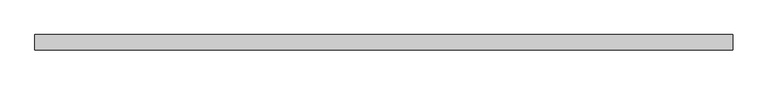
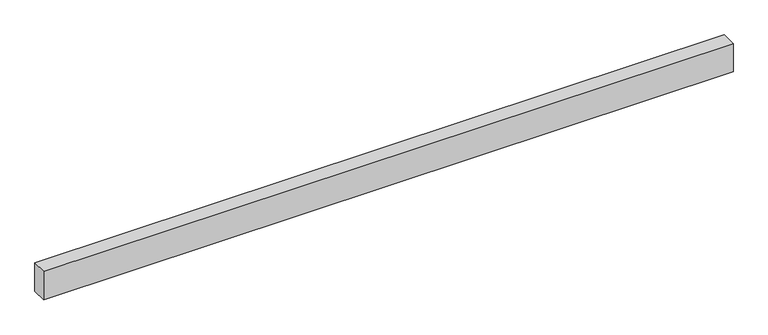
"""IFC4 building model written with IfcOpenShell, lengths in millimetres: beam geometry."""

import ifcopenshell
import ifcopenshell.guid

model = None  # the IFC model being written
_history = None  # IfcOwnerHistory: only IFC2X3 demands one
_inside = {}  # id of a spatial element -> (the spatial element, [elements in it])
_under = {}  # id of a project, library or spatial element -> (it, [spatial elements below it])
_declared = {}  # id of a project -> (the project, [libraries it declares])
_typed = {}  # id of a type object -> (the type object, [elements of that type])
_made_of = {}  # id of a material, layer set ... -> (it, [elements and type objects made of it])


def new_model(schema):
    """Start an empty IFC model of exactly this schema.

    Asked for "IFC4X3", IfcOpenShell would pick the latest addendum, in which some entities
    have other attributes; the version numbers below select the first issue.
    IFC2X3 requires an IfcOwnerHistory on every rooted entity: one is made here for all.
    """
    global model, _history
    if schema == "IFC4X3":
        model = ifcopenshell.file(schema_version=(4, 3, 0, 0))
    else:
        model = ifcopenshell.file(schema=schema)
    _inside.clear()
    _under.clear()
    _declared.clear()
    _typed.clear()
    _made_of.clear()
    _history = None
    if model.schema == "IFC2X3":
        org = make("IfcOrganization", Name="unknown")
        user = make(
            "IfcPersonAndOrganization",
            ThePerson=make("IfcPerson", FamilyName="unknown"),
            TheOrganization=org,
        )
        app = make(
            "IfcApplication",
            ApplicationDeveloper=org,
            Version="unknown",
            ApplicationFullName="unknown",
            ApplicationIdentifier="unknown",
        )
        _history = make(
            "IfcOwnerHistory",
            OwningUser=user,
            OwningApplication=app,
            ChangeAction="ADDED",
            CreationDate=0,
        )
    return model


def make(cls, **values):
    """One entity of the class cls with the attributes given. An attribute that is None is left unset."""
    return model.create_entity(
        cls, **{name: value for name, value in values.items() if value is not None}
    )


def rooted(cls, **values):
    """An entity with a GlobalId (a new one), such as an element, a storey or a relation."""
    return make(cls, GlobalId=ifcopenshell.guid.new(), OwnerHistory=_history, **values)


def si_unit(unit_type, name, prefix=None):
    """IfcSIUnit, for example si_unit("LENGTHUNIT", "METRE", prefix="MILLI")."""
    return make("IfcSIUnit", UnitType=unit_type, Prefix=prefix, Name=name)


def assignment(units):
    """IfcUnitAssignment: the units of a project."""
    return None if units is None else make("IfcUnitAssignment", Units=units)


def point(xyz):
    """IfcCartesianPoint."""
    return None if xyz is None else make("IfcCartesianPoint", Coordinates=xyz)


def direction(xyz):
    """IfcDirection."""
    return None if xyz is None else make("IfcDirection", DirectionRatios=xyz)


def frame(location, z_axis=None, x_axis=None):
    """IfcAxis2Placement3D, a coordinate frame: its origin and axes. An axis left out is left unset."""
    return make(
        "IfcAxis2Placement3D",
        Location=point(location),
        Axis=direction(z_axis),
        RefDirection=direction(x_axis),
    )


def origin():
    """The frame at (0, 0, 0) with its axes left unset."""
    return frame((0.0, 0.0, 0.0))


def place(relative_to, where):
    """IfcLocalPlacement: puts the frame where relative to a parent placement (None: the world)."""
    return make(
        "IfcLocalPlacement", PlacementRelTo=relative_to, RelativePlacement=where
    )


def context(
    kind, dimensions, precision=None, world=None, true_north=None, identifier=None
):
    """IfcGeometricRepresentationContext, for example the 3D "Model" context."""
    return make(
        "IfcGeometricRepresentationContext",
        ContextIdentifier=identifier,
        ContextType=kind,
        CoordinateSpaceDimension=dimensions,
        Precision=precision,
        WorldCoordinateSystem=world,
        TrueNorth=true_north,
    )


def project(units=None, contexts=None):
    """IfcProject with its units and contexts."""
    return rooted(
        "IfcProject",
        Name="project",
        RepresentationContexts=contexts,
        UnitsInContext=assignment(units),
    )


def spatial(cls, under=None, at=None, **own):
    """A site, building, storey or space (cls), placed at a placement, below another one or the project."""
    s = rooted(cls, ObjectPlacement=at, **own)
    if under is not None:
        _under.setdefault(under.id(), (under, []))[1].append(s)
    return s


def polyline(points):
    """IfcPolyline through the points."""
    return make("IfcPolyline", Points=[point(p) for p in points])


def outline(outer, holes=None, kind="AREA"):
    """IfcArbitraryClosedProfileDef: a profile drawn as a closed curve; with holes, ...WithVoids."""
    if holes is None:
        return make("IfcArbitraryClosedProfileDef", ProfileType=kind, OuterCurve=outer)
    return make(
        "IfcArbitraryProfileDefWithVoids",
        ProfileType=kind,
        OuterCurve=outer,
        InnerCurves=holes,
    )


def extrude(swept, where, along, depth):
    """IfcExtrudedAreaSolid: the profile swept, set in the frame where, extruded along a direction by depth."""
    return make(
        "IfcExtrudedAreaSolid",
        SweptArea=swept,
        Position=where,
        ExtrudedDirection=direction(along),
        Depth=depth,
    )


def shape(context_of_items, identifier, shape_type, items):
    """IfcShapeRepresentation: the items that make up one representation, for example the "Body"."""
    return make(
        "IfcShapeRepresentation",
        ContextOfItems=context_of_items,
        RepresentationIdentifier=identifier,
        RepresentationType=shape_type,
        Items=items,
    )


def source(mapping_origin, context_of_items, identifier, shape_type, items):
    """IfcRepresentationMap: a shape defined once, which mapped items show again and again."""
    return make(
        "IfcRepresentationMap",
        MappingOrigin=mapping_origin,
        MappedRepresentation=shape(context_of_items, identifier, shape_type, items),
    )


def transform(
    local_origin,
    x_axis=None,
    y_axis=None,
    z_axis=None,
    scale=None,
    scale2=None,
    scale3=None,
    uniform=True,
):
    """IfcCartesianTransformationOperator3D, or its non-uniform kind. x_axis, y_axis, z_axis: its Axis1, 2, 3."""
    if uniform:
        return make(
            "IfcCartesianTransformationOperator3D",
            Axis1=direction(x_axis),
            Axis2=direction(y_axis),
            LocalOrigin=point(local_origin),
            Scale=scale,
            Axis3=direction(z_axis),
        )
    return make(
        "IfcCartesianTransformationOperator3DnonUniform",
        Axis1=direction(x_axis),
        Axis2=direction(y_axis),
        LocalOrigin=point(local_origin),
        Scale=scale,
        Axis3=direction(z_axis),
        Scale2=scale2,
        Scale3=scale3,
    )


def mapped(mapping_source, mapping_target):
    """IfcMappedItem: shows the shape of a source again, moved by a transform."""
    return make(
        "IfcMappedItem", MappingSource=mapping_source, MappingTarget=mapping_target
    )


def made_of(thing, what):
    """Note that an element or type object is made of a material, layer set ...; save() writes the relation."""
    if what is not None:
        _made_of.setdefault(what.id(), (what, []))[1].append(thing)
    return thing


def element(
    cls,
    number,
    at=None,
    inside=None,
    cuts=None,
    type_object=None,
    material=None,
    context=None,
    identifier="Body",
    shape_type=None,
    held_by="IfcProductDefinitionShape",
    body=None,
    shapes=None,
    **own,
):
    """One element of the class cls, such as IfcWall. Its Tag is "e" and its number.

    at: its placement. inside: the storey or other place that contains it. cuts: it is an
    opening in that element (IfcRelVoidsElement). A single representation is given by context,
    identifier, shape_type and body (its items); several are given by shapes. held_by: the class
    of the entity that holds the representations. save() writes the other relations.
    """
    e = rooted(cls, Tag="e%d" % number, ObjectPlacement=at, **own)
    if body is not None:
        shapes = [shape(context, identifier, shape_type, body)]
    if shapes is not None:
        e.Representation = make(held_by, Representations=shapes)
    if inside is not None:
        _inside.setdefault(inside.id(), (inside, []))[1].append(e)
    if cuts is not None:
        rooted(
            "IfcRelVoidsElement", RelatingBuildingElement=cuts, RelatedOpeningElement=e
        )
    if type_object is not None:
        _typed.setdefault(type_object.id(), (type_object, []))[1].append(e)
    return made_of(e, material)


def aggregate(whole, parts):
    """IfcRelAggregates: a whole, such as a stair, and the parts it consists of."""
    return rooted("IfcRelAggregates", RelatingObject=whole, RelatedObjects=parts)


def save(model, path):
    """Write the relations noted so far, then the file.

    IfcRelAggregates (storeys below a building ...), IfcRelContainedInSpatialStructure (elements
    in a storey), IfcRelDefinesByType, IfcRelAssociatesMaterial and IfcRelDeclares: one each for
    every whole, place, type object, material and project.
    """
    for whole, parts in _under.values():
        aggregate(whole, parts)
    for where, things in _inside.values():
        rooted(
            "IfcRelContainedInSpatialStructure",
            RelatedElements=things,
            RelatingStructure=where,
        )
    for kind, things in _typed.values():
        rooted("IfcRelDefinesByType", RelatedObjects=things, RelatingType=kind)
    for what, things in _made_of.values():
        rooted("IfcRelAssociatesMaterial", RelatedObjects=things, RelatingMaterial=what)
    for by, libraries in _declared.values():
        rooted("IfcRelDeclares", RelatingContext=by, RelatedDefinitions=libraries)
    model.write(path)


def beam_b8a79448(model_context):
    return source(origin(), model_context, "Body", "SweptSolid", [
        extrude(outline(polyline([(1150.0, 25.0), (1150.0, -25.0), (-1150.0, -25.0), (-1150.0, 25.0), (1150.0, 25.0)])), frame((0.0, 0.0, -50.0), z_axis=(0.0, 0.0, 1.0), x_axis=(1.0, 0.0, 0.0)), (0.0, 0.0, 1.0), 100.0),
    ])


if __name__ == "__main__":
    model = new_model("IFC4")
    model_context = context("Model", 3, world=origin())
    ifc_project = project(units=[si_unit("LENGTHUNIT", "METRE", prefix="MILLI")], contexts=[model_context])
    site = spatial("IfcSite", under=ifc_project)
    building = spatial("IfcBuilding", under=site)
    placement = place(None, origin())
    beam_shape = beam_b8a79448(model_context)
    element("IfcBeam", 1, at=placement, inside=building, context=model_context, shape_type="MappedRepresentation", body=[
        mapped(beam_shape, transform((0.0, 0.0, 0.0), x_axis=(1.0, 0.0, 0.0), y_axis=(0.0, 1.0, 0.0), z_axis=(0.0, 0.0, 1.0))),
    ])
    save(model, "model.ifc")
